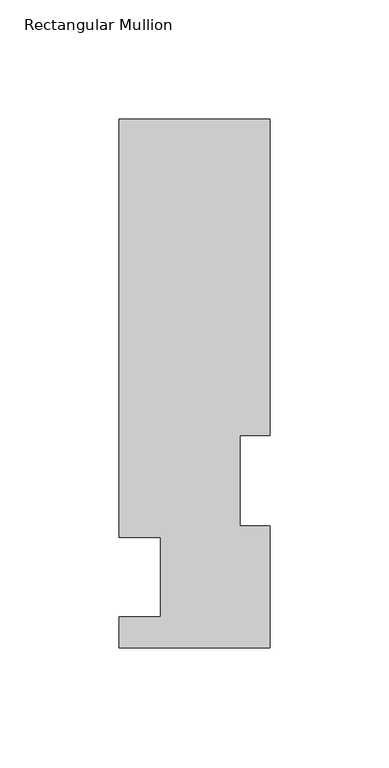
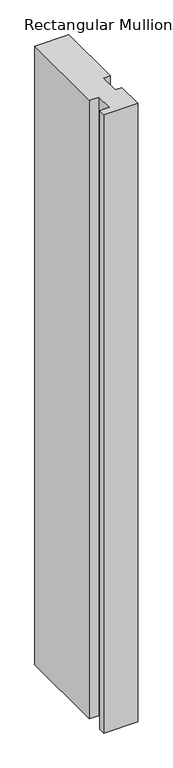
"""IFC4 building model written with IfcOpenShell, lengths in millimetres: member geometry, Rectangular Mullion."""

from ifc_helpers import new_model, si_unit, frame, origin, place, context, project, spatial, polyline, outline, extrude, source, transform, mapped, element, save


def rectangular_mullion_20e54e71(model_context):
    return source(origin(), model_context, "Body", "SweptSolid", [
        extrude(outline(polyline([(31.75, 222.5381313), (31.75, 89.5945313), (19.05, 89.5945313), (19.05, 51.4945312), (31.7595098, 51.4945312), (31.7595098, 0.2119313), (-31.75, 0.2119313), (-31.75, 13.3945313), (-14.2748001, 13.3945313), (-14.2748001, 46.7447312), (-31.7500001, 46.7447312), (-31.7500001, 222.5381313), (31.75, 222.5381313)])), frame((0.0, 0.0, -1219.2), z_axis=(0.0, 0.0, 1.0), x_axis=(1.0, 0.0, 0.0)), (0.0, 0.0, 1.0), 1219.2),
    ])


if __name__ == "__main__":
    model = new_model("IFC4")
    model_context = context("Model", 3, world=origin())
    ifc_project = project(units=[si_unit("LENGTHUNIT", "METRE", prefix="MILLI")], contexts=[model_context])
    site = spatial("IfcSite", under=ifc_project)
    building = spatial("IfcBuilding", under=site)
    placement = place(None, origin())
    rectangular_mullion_shape = rectangular_mullion_20e54e71(model_context)
    element("IfcMember", 1, ObjectType="Rectangular Mullion", at=placement, inside=building, context=model_context, shape_type="MappedRepresentation", body=[
        mapped(rectangular_mullion_shape, transform((0.0, 0.0, 0.0), x_axis=(1.0, 0.0, 0.0), y_axis=(0.0, 1.0, 0.0), z_axis=(0.0, 0.0, 1.0))),
    ])
    save(model, "model.ifc")
